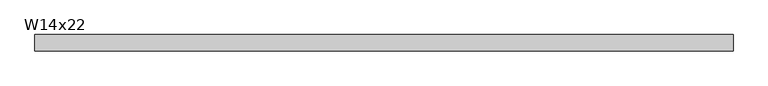
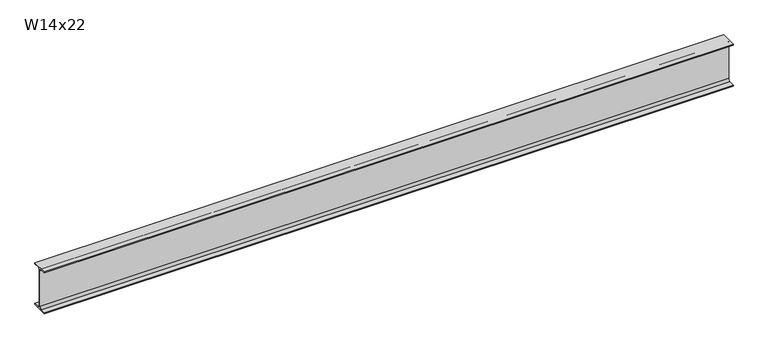
"""IFC4 building model written with IfcOpenShell, lengths in millimetres: beam geometry, W14x22."""

from ifc_helpers import new_model, si_unit, point, frame, frame_2d, origin, place, context, project, spatial, polyline, circle_curve, trimmed, segment, composite_curve, outline, extrude, source, transform, mapped, element, save


def w14x22_6ffbe63d(model_context):
    return source(origin(), model_context, "Body", "SweptSolid", [
        extrude(outline(composite_curve([segment(polyline([(63.5, -165.481), (63.5, -173.99), (-63.5, -173.99), (-63.5, -165.481), (-21.3995, -165.481)]), True, "CONTINUOUS"), segment(trimmed(circle_curve(frame_2d((-21.3995, -147.0025)), 18.4785), [point((-21.3995, -165.481))], [point((-2.921, -147.0025))], True, "CARTESIAN"), True, "CONTINUOUS"), segment(polyline([(-2.921, -147.0025), (-2.921, 147.0025)]), True, "CONTINUOUS"), segment(trimmed(circle_curve(frame_2d((-21.3995, 147.0025)), 18.4785), [point((-2.921, 147.0025))], [point((-21.3995, 165.481))], True, "CARTESIAN"), True, "CONTINUOUS"), segment(polyline([(-21.3995, 165.481), (-63.5, 165.481), (-63.5, 173.99), (63.5, 173.99), (63.5, 165.481), (21.3995, 165.481)]), True, "CONTINUOUS"), segment(trimmed(circle_curve(frame_2d((21.3995, 147.0025)), 18.4785), [point((21.3995, 165.481))], [point((2.921, 147.0025))], True, "CARTESIAN"), True, "CONTINUOUS"), segment(polyline([(2.921, 147.0025), (2.921, -147.0025)]), True, "CONTINUOUS"), segment(trimmed(circle_curve(frame_2d((21.3995, -147.0025)), 18.4785), [point((2.921, -147.0025))], [point((21.3995, -165.481))], True, "CARTESIAN"), True, "CONTINUOUS"), segment(polyline([(21.3995, -165.481), (63.5, -165.481)]), True, "CONTINUOUS")], self_intersect=False)), frame((-2704.973, 0.0, 0.0), z_axis=(1.0, 0.0, 0.0), x_axis=(0.0, 1.0, 0.0)), (0.0, 0.0, 1.0), 5409.946),
    ])


if __name__ == "__main__":
    model = new_model("IFC4")
    model_context = context("Model", 3, world=origin())
    ifc_project = project(units=[si_unit("LENGTHUNIT", "METRE", prefix="MILLI")], contexts=[model_context])
    site = spatial("IfcSite", under=ifc_project)
    building = spatial("IfcBuilding", under=site)
    placement = place(None, origin())
    w14x22_shape = w14x22_6ffbe63d(model_context)
    element("IfcBeam", 1, ObjectType="W14x22", at=placement, inside=building, context=model_context, shape_type="MappedRepresentation", body=[
        mapped(w14x22_shape, transform((0.0, 0.0, 0.0), x_axis=(1.0, 0.0, 0.0), y_axis=(0.0, 1.0, 0.0), z_axis=(0.0, 0.0, 1.0))),
    ])
    save(model, "model.ifc")
